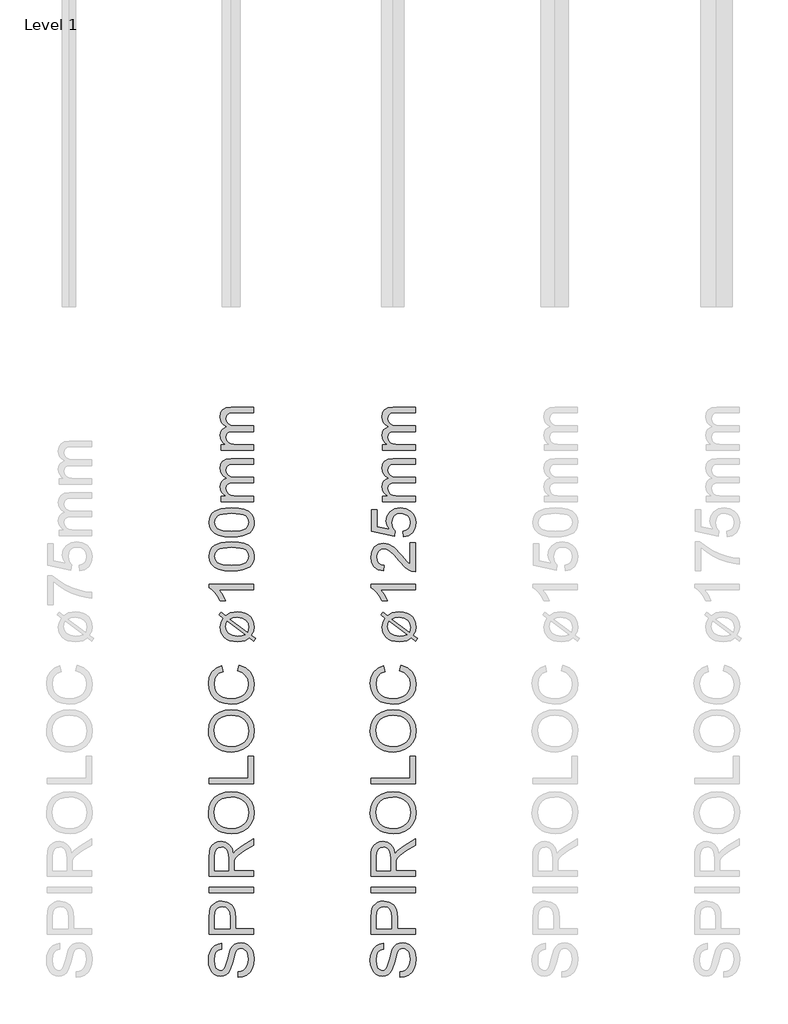
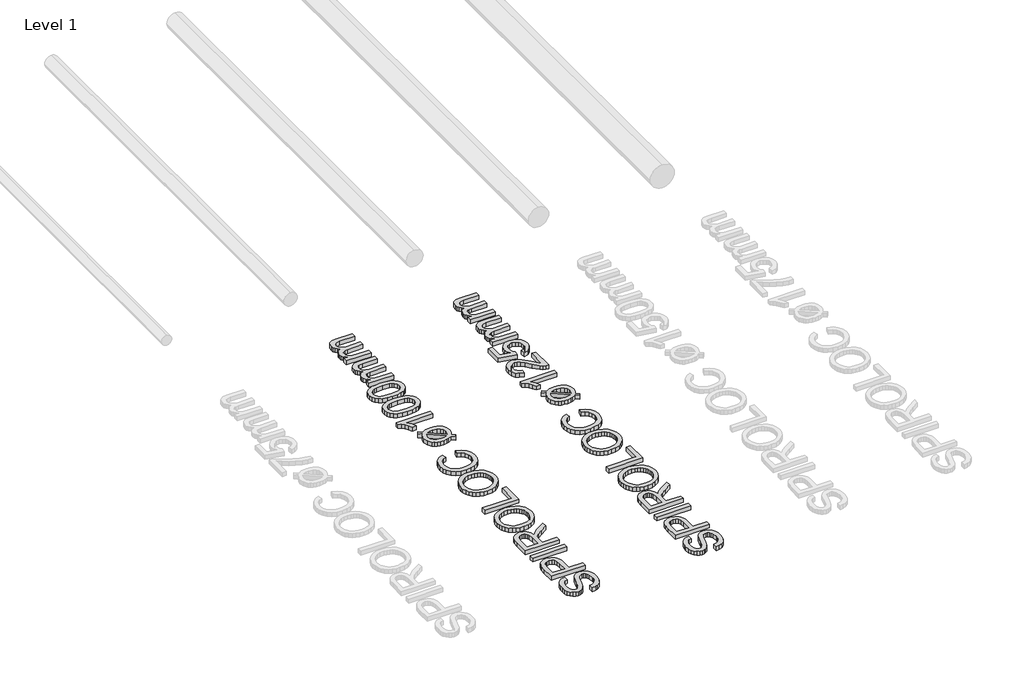
# One storey, part 4 of 19: 2 proxies.
"""IFC4 building model written with IfcOpenShell, lengths in millimetres."""

from ifc_helpers import new_model, si_unit, origin, origin_with_axes, place, context, project, spatial, polyline, outline, extrude, element, save

model = new_model("IFC4")

# Units and contexts
model_context = context("Model", 3, world=origin())
ifc_project = project(units=[si_unit("LENGTHUNIT", "METRE", prefix="MILLI")], contexts=[model_context])

# Site, building, storey
site = spatial("IfcSite", under=ifc_project)
building = spatial("IfcBuilding", under=site)
storey = spatial("IfcBuildingStorey", under=building, Name="Level 1", Elevation=0.0)

# Proxies
placement = place(None, origin())
element("IfcBuildingElementProxy", 1, Name="250mm", ObjectType="250mm", at=placement, inside=storey, context=model_context, shape_type="SweptSolid", body=[
    extrude(outline(polyline([(1523.8812614, -1501.7841772), (1523.8812614, -1471.0149464), (1540.9560811, -1467.4842974), (1554.6805403, -1461.099081), (1565.5729682, -1451.1381435), (1574.1516941, -1436.880331), (1579.7181004, -1419.4524464), (1581.5735691, -1399.9812926), (1575.9545787, -1367.8298502), (1569.2839057, -1355.6678911), (1560.5098672, -1347.0666291), (1550.4362494, -1341.950944), (1539.8668383, -1340.2457156), (1520.6661172, -1345.3538887), (1513.0714658, -1353.1363406), (1506.6937614, -1366.2673502), (1494.9449633, -1411.0690329), (1479.7706845, -1459.2961964), (1469.419122, -1474.6132036), (1456.8740499, -1485.4680714), (1442.4059008, -1491.93592), (1426.2851076, -1494.0918695), (1408.2637734, -1491.4251026), (1391.4593864, -1483.4248022), (1377.216598, -1470.3013046), (1366.8800595, -1452.2649464), (1360.5924994, -1430.615307), (1358.496646, -1406.6519656), (1360.6901557, -1380.6904272), (1367.2706845, -1357.974081), (1378.1030162, -1339.3142252), (1393.0519345, -1325.5221579), (1411.1859489, -1316.7931916), (1431.5735691, -1313.3226387), (1431.5735691, -1344.0918695), (1413.2141941, -1349.7409079), (1399.9629922, -1361.5197541), (1391.9401557, -1379.9242012), (1389.2658768, -1405.4500426), (1391.9101076, -1431.5768454), (1399.8427999, -1449.5005233), (1411.5164778, -1459.8671099), (1425.3836653, -1463.3226387), (1437.2075835, -1460.8737204), (1446.7177999, -1453.5269656), (1455.2214057, -1436.1591772), (1463.9052999, -1403.286581), (1479.3500114, -1348.8394656), (1490.512872, -1331.2989007), (1504.2899153, -1319.0618214), (1520.5309008, -1311.872819), (1539.0855883, -1309.4764849), (1558.0534369, -1312.2333959), (1575.8944826, -1320.5041291), (1591.2490499, -1333.9506435), (1602.7574633, -1352.2348983), (1609.9464658, -1374.2225786), (1612.3427999, -1398.7793695), (1609.7586653, -1428.9251026), (1602.0062614, -1453.7373022), (1589.0555403, -1473.5014248), (1570.8764537, -1488.5029272), (1548.731021, -1498.1333358), (1523.8812614, -1501.7841772)])), origin_with_axes(), (0.0, 0.0, 1.0), 30.0),
    extrude(outline(polyline([(1608.496646, -1263.3226387), (1362.3427999, -1263.3226387), (1362.3427999, -1172.0966772), (1364.6865499, -1135.317831), (1369.0660571, -1118.919093), (1376.1949633, -1105.4199945), (1386.3962855, -1094.5501026), (1399.9930403, -1086.0389849), (1416.0312013, -1080.5401868), (1433.5567422, -1078.7072541), (1462.5681605, -1083.6576748), (1486.7418383, -1098.5089368), (1496.2595667, -1110.4023412), (1503.0579441, -1126.2808719), (1507.1369706, -1146.1445287), (1508.496646, -1169.9933118), (1508.496646, -1232.5534079), (1608.496646, -1232.5534079), (1608.496646, -1263.3226387)]), holes=[polyline([(1477.7274153, -1232.5534079), (1477.7274153, -1168.1904272), (1474.902896, -1140.9067733), (1466.4293383, -1122.8779272), (1452.8325835, -1112.8268454), (1434.638473, -1109.4764849), (1420.8163576, -1111.4521459), (1409.1577037, -1117.3791291), (1400.3836653, -1126.5212565), (1395.215396, -1138.1423502), (1393.1120307, -1168.911581), (1393.1120307, -1232.5534079), (1477.7274153, -1232.5534079)])]), origin_with_axes(), (0.0, 0.0, 1.0), 30.0),
    extrude(outline(polyline([(1608.496646, -1032.5534079), (1362.3427999, -1032.5534079), (1362.3427999, -1001.7841772), (1608.496646, -1001.7841772), (1608.496646, -1032.5534079)])), origin_with_axes(), (0.0, 0.0, 1.0), 30.0),
    extrude(outline(polyline([(1608.496646, -940.2457156), (1362.3427999, -940.2457156), (1362.3427999, -834.1760041), (1364.0029561, -805.6678911), (1368.9834249, -784.927206), (1378.1781364, -769.7679512), (1392.481021, -758.0041291), (1410.2168984, -750.4545498), (1429.7105883, -747.9380233), (1453.9593864, -752.107194), (1474.0615499, -764.614706), (1488.8001316, -785.8361603), (1496.9581845, -816.1471579), (1510.1192422, -798.6591772), (1541.7899153, -773.7192733), (1608.496646, -732.6736002), (1608.496646, -768.4308118), (1557.4750114, -800.4620618), (1523.700973, -823.599081), (1507.7454441, -839.8550906), (1501.8860691, -854.4885041), (1500.8043383, -872.3370618), (1500.8043383, -909.4764849), (1608.496646, -909.4764849), (1608.496646, -940.2457156)]), holes=[polyline([(1470.0351076, -909.4764849), (1470.0351076, -840.6062926), (1465.6781364, -805.4800906), (1460.0140739, -793.9266051), (1451.7358287, -785.5281676), (1441.7223071, -780.4124825), (1430.8524153, -778.7072541), (1415.8434008, -781.9599584), (1403.7490499, -791.7180714), (1395.7712855, -808.5074344), (1393.1120307, -832.8538887), (1393.1120307, -909.4764849), (1470.0351076, -909.4764849)])]), origin_with_axes(), (0.0, 0.0, 1.0), 30.0),
    extrude(outline(polyline([(1488.6649153, -705.630331), (1459.7924694, -703.5795498), (1434.2328239, -697.427206), (1411.985979, -687.1732998), (1393.0519345, -672.817831), (1377.9339958, -655.220926), (1367.1354682, -635.2427108), (1360.6563516, -612.8831856), (1358.496646, -588.1423502), (1362.5531364, -555.8556916), (1374.7226076, -526.9043695), (1394.1486893, -502.8659079), (1419.9750114, -485.317831), (1450.9545787, -474.5906676), (1485.840396, -471.0149464), (1521.1919585, -474.778468), (1552.607223, -486.0690329), (1578.4786172, -504.2631435), (1597.1985691, -528.7373022), (1608.5567422, -557.4407276), (1612.3427999, -588.3226387), (1608.1586052, -621.1050906), (1595.606021, -650.2216772), (1575.8193624, -674.2000426), (1549.9329441, -691.567831), (1520.1477879, -702.114706), (1488.6649153, -705.630331)]), holes=[polyline([(1488.965396, -674.8611002), (1509.3642843, -673.3230143), (1527.4720066, -668.7087565), (1543.2885631, -661.0183268), (1556.8139537, -650.2517252), (1567.6462855, -637.1639097), (1575.3836653, -622.5098382), (1580.0260932, -606.2895107), (1581.5735691, -588.5029272), (1580.0110691, -570.4121069), (1575.3235691, -554.0002228), (1567.5110691, -539.2672751), (1556.5735691, -526.2132637), (1542.7627218, -515.5255383), (1526.3301797, -507.8914488), (1507.2759429, -503.3109951), (1485.6000114, -501.7841772), (1458.3614297, -504.3983599), (1434.8187614, -512.2409079), (1415.5654561, -525.1089969), (1401.1949633, -542.7998022), (1392.2481484, -564.1414488), (1389.2658768, -587.9620618), (1395.0125715, -621.0600185), (1412.2526557, -649.2000426), (1425.667244, -660.4267553), (1442.9242302, -668.4458358), (1464.0236142, -673.2572841), (1488.965396, -674.8611002)])]), origin_with_axes(), (0.0, 0.0, 1.0), 30.0),
    extrude(outline(polyline([(1608.496646, -428.7072541), (1362.3427999, -428.7072541), (1362.3427999, -397.9380233), (1577.7274153, -397.9380233), (1577.7274153, -274.8611002), (1608.496646, -274.8611002), (1608.496646, -428.7072541)])), origin_with_axes(), (0.0, 0.0, 1.0), 30.0),
    extrude(outline(polyline([(1488.6649153, -251.7841772), (1459.7924694, -249.7333959), (1434.2328239, -243.5810522), (1411.985979, -233.3271459), (1393.0519345, -218.9716772), (1377.9339958, -201.3747721), (1367.1354682, -181.396557), (1360.6563516, -159.0370317), (1358.496646, -134.2961964), (1362.5531364, -102.0095377), (1374.7226076, -73.0582156), (1394.1486893, -49.0197541), (1419.9750114, -31.4716772), (1450.9545787, -20.7445137), (1485.840396, -17.1687926), (1521.1919585, -20.9323142), (1552.607223, -32.2228791), (1578.4786172, -50.4169897), (1597.1985691, -74.8911483), (1608.5567422, -103.5945738), (1612.3427999, -134.4764849), (1608.1586052, -167.2589368), (1595.606021, -196.3755233), (1575.8193624, -220.3538887), (1549.9329441, -237.7216772), (1520.1477879, -248.2685522), (1488.6649153, -251.7841772)]), holes=[polyline([(1488.965396, -221.0149464), (1509.3642843, -219.4768605), (1527.4720066, -214.8626026), (1543.2885631, -207.172173), (1556.8139537, -196.4055714), (1567.6462855, -183.3177559), (1575.3836653, -168.6636844), (1580.0260932, -152.4433569), (1581.5735691, -134.6567733), (1580.0110691, -116.565953), (1575.3235691, -100.154069), (1567.5110691, -85.4211213), (1556.5735691, -72.3671099), (1542.7627218, -61.6793845), (1526.3301797, -54.045295), (1507.2759429, -49.4648412), (1485.6000114, -47.9380233), (1458.3614297, -50.552206), (1434.8187614, -58.3947541), (1415.5654561, -71.262843), (1401.1949633, -88.9536483), (1392.2481484, -110.295295), (1389.2658768, -134.1159079), (1395.0125715, -167.2138647), (1412.2526557, -195.3538887), (1425.667244, -206.5806014), (1442.9242302, -214.599682), (1464.0236142, -219.4111303), (1488.965396, -221.0149464)])]), origin_with_axes(), (0.0, 0.0, 1.0), 30.0),
    extrude(outline(polyline([(1520.996646, 198.2158228), (1528.9293383, 228.9850536), (1564.7842061, 214.7873373), (1590.9786172, 192.5066882), (1607.0017542, 163.2398613), (1612.3427999, 128.0836113), (1608.3013335, 92.3940079), (1596.1769345, 64.0511594), (1576.3902758, 42.3263998), (1549.3620307, 26.4910632), (1517.5861893, 16.8230945), (1483.5567422, 13.6004382), (1447.6643143, 17.2437675), (1416.669723, 28.1737555), (1391.5570427, 45.8194887), (1373.310348, 69.6100536), (1362.2000715, 97.8251978), (1358.496646, 128.744669), (1363.2893143, 162.4811474), (1377.6673191, 190.3732748), (1400.7442422, 211.549657), (1431.6336653, 225.1388998), (1438.965396, 194.369669), (1416.5269946, 183.7026017), (1401.1348672, 169.1292844), (1392.2331244, 150.4694286), (1389.2658768, 127.5427459), (1392.5561412, 101.1154623), (1402.4269345, 79.4057267), (1417.841598, 62.9318685), (1437.763473, 52.2122171), (1460.2845066, 46.330306), (1483.496646, 44.369669), (1511.9221268, 46.6908829), (1536.5014537, 53.6545248), (1556.2956244, 65.5235151), (1570.3656364, 82.5607748), (1578.7715859, 102.985955), (1581.5735691, 125.0187074), (1577.7574633, 150.7023012), (1566.309146, 172.104044), (1547.3488095, 188.2623974), (1520.996646, 198.2158228)])), origin_with_axes(), (0.0, 0.0, 1.0), 30.0),
    extrude(outline(polyline([(1441.4293383, 490.2831305), (1417.1504922, 508.6725536), (1428.3283768, 523.3360151), (1453.7490499, 504.0451498), (1480.0110691, 519.5499574), (1519.1937614, 525.1388998), (1542.7364297, 523.3923553), (1562.9437614, 518.1527219), (1579.8157566, 509.4199995), (1593.3524153, 497.1941882), (1607.5952037, 472.2092123), (1612.3427999, 442.5667844), (1608.3013335, 417.822193), (1596.1769345, 396.1124574), (1620.0351076, 378.0235151), (1609.0976076, 363.119669), (1586.3211653, 380.4273613), (1563.1240499, 366.4249574), (1543.3223672, 361.4219526), (1521.0567422, 359.7542844), (1497.170399, 361.2717123), (1476.833485, 365.8239959), (1460.046, 373.4111353), (1446.8079441, 384.0331305), (1429.6129321, 410.4303661), (1423.8812614, 441.0643805), (1428.1180403, 466.0042844), (1441.4293383, 490.2831305)]), holes=[polyline([(1463.3043383, 473.6965921), (1456.8139537, 458.3119767), (1454.6504922, 442.2062074), (1458.8046388, 421.9988757), (1471.2670787, 405.3672651), (1491.9476677, 394.2344526), (1520.7562614, 390.5235151), (1543.1721268, 392.6719526), (1561.621646, 399.1172651), (1463.3043383, 473.6965921)]), polyline([(1478.6889537, 485.1749574), (1576.465396, 411.0163036), (1581.5735691, 440.5836113), (1577.5095667, 461.9177459), (1565.3175595, 479.1653421), (1545.0125715, 490.5685873), (1516.6096268, 494.369669), (1495.3956845, 492.025919), (1478.6889537, 485.1749574)])]), origin_with_axes(), (0.0, 0.0, 1.0), 30.0),
    extrude(outline(polyline([(1608.496646, 678.9850536), (1608.496646, 648.2158228), (1416.669723, 648.2158228), (1437.4329441, 619.0691882), (1452.9677999, 586.6773613), (1423.8812614, 586.6773613), (1410.7352278, 610.8435272), (1395.0952037, 631.7795248), (1378.4635932, 648.283431), (1362.3427999, 659.1533228), (1362.3427999, 678.9850536), (1608.496646, 678.9850536)])), origin_with_axes(), (0.0, 0.0, 1.0), 30.0),
    extrude(outline(polyline([(1487.402896, 752.0619767), (1448.0023552, 754.3230945), (1416.5795787, 761.1064478), (1392.6537975, 772.3444286), (1375.7442422, 787.9694286), (1365.6931605, 808.0941281), (1362.3427999, 832.8312074), (1364.325973, 851.791544), (1370.2754922, 868.7687074), (1379.958485, 882.9664238), (1393.1420787, 893.588419), (1429.560348, 908.0114959), (1454.7631725, 912.2032026), (1487.402896, 913.6004382), (1526.5780763, 911.3618565), (1557.9257326, 904.6461113), (1581.8740499, 893.4757387), (1598.8512133, 877.8732748), (1608.9699033, 857.7035031), (1612.3427999, 832.8312074), (1610.8779561, 815.8840921), (1606.4834249, 800.8600536), (1599.1592061, 787.7590921), (1588.9052999, 776.5812074), (1570.3693924, 765.854044), (1547.2736893, 758.1917844), (1519.6181905, 753.5944286), (1487.402896, 752.0619767)]), holes=[polyline([(1487.3427999, 782.8312074), (1535.7427398, 786.4369767), (1552.2973522, 790.9441882), (1563.7550595, 797.2542844), (1577.1189417, 813.3600536), (1581.5735691, 832.8312074), (1577.1039177, 852.3023613), (1563.6949633, 868.4081305), (1552.218476, 874.7182267), (1535.6676196, 879.2254382), (1487.3427999, 882.8312074), (1440.0321028, 879.3456305), (1423.5319525, 874.9886594), (1411.8019345, 868.8888998), (1397.7845066, 852.8131786), (1393.1120307, 832.4706305), (1397.2286172, 813.2098132), (1409.5783768, 797.7350536), (1422.3488095, 791.2146209), (1439.5663576, 786.557169), (1487.3427999, 782.8312074)])]), origin_with_axes(), (0.0, 0.0, 1.0), 30.0),
    extrude(outline(polyline([(1487.402896, 940.5235151), (1448.0023552, 942.7846329), (1416.5795787, 949.5679863), (1392.6537975, 960.8059671), (1375.7442422, 976.4309671), (1365.6931605, 996.5556666), (1362.3427999, 1021.2927459), (1364.325973, 1040.2530824), (1370.2754922, 1057.2302459), (1379.958485, 1071.4279623), (1393.1420787, 1082.0499574), (1429.560348, 1096.4730344), (1454.7631725, 1100.6647411), (1487.402896, 1102.0619767), (1526.5780763, 1099.8233949), (1557.9257326, 1093.1076498), (1581.8740499, 1081.9372772), (1598.8512133, 1066.3348132), (1608.9699033, 1046.1650416), (1612.3427999, 1021.2927459), (1610.8779561, 1004.3456305), (1606.4834249, 989.3215921), (1599.1592061, 976.2206305), (1588.9052999, 965.0427459), (1570.3693924, 954.3155824), (1547.2736893, 946.6533228), (1519.6181905, 942.0559671), (1487.402896, 940.5235151)]), holes=[polyline([(1487.3427999, 971.2927459), (1535.7427398, 974.8985151), (1552.2973522, 979.4057267), (1563.7550595, 985.7158228), (1577.1189417, 1001.8215921), (1581.5735691, 1021.2927459), (1577.1039177, 1040.7638998), (1563.6949633, 1056.869669), (1552.218476, 1063.1797651), (1535.6676196, 1067.6869767), (1487.3427999, 1071.2927459), (1440.0321028, 1067.807169), (1423.5319525, 1063.4501978), (1411.8019345, 1057.3504382), (1397.7845066, 1041.2747171), (1393.1120307, 1020.932169), (1397.2286172, 1001.6713517), (1409.5783768, 986.1965921), (1422.3488095, 979.6761594), (1439.5663576, 975.0187074), (1487.3427999, 971.2927459)])]), origin_with_axes(), (0.0, 0.0, 1.0), 30.0),
    extrude(outline(polyline([(1608.496646, 1136.6773613), (1427.7274153, 1136.6773613), (1427.7274153, 1167.4465921), (1457.4750114, 1167.4465921), (1443.8106484, 1176.7013998), (1433.106021, 1188.6004382), (1426.1874513, 1202.7380584), (1423.8812614, 1218.7086113), (1426.2325234, 1235.8209911), (1433.2863095, 1249.5379382), (1444.5768744, 1259.7843324), (1459.638473, 1266.4850536), (1443.9946929, 1277.7004983), (1432.8205643, 1290.4934671), (1426.1160871, 1304.8639599), (1423.8812614, 1320.8119767), (1427.5997109, 1343.9414839), (1438.7550595, 1361.0463517), (1457.6477879, 1371.6157627), (1484.5783768, 1375.1388998), (1608.496646, 1375.1388998), (1608.496646, 1344.369669), (1497.7995307, 1344.369669), (1472.1084249, 1341.5151017), (1459.4581845, 1331.1785632), (1454.6504922, 1313.6004382), (1457.7304201, 1296.9312675), (1466.9702037, 1283.3420248), (1483.0008528, 1274.3050656), (1506.4533768, 1271.2927459), (1608.496646, 1271.2927459), (1608.496646, 1240.5235151), (1494.3740499, 1240.5235151), (1476.9762133, 1238.7431666), (1464.5663576, 1233.4021209), (1457.1294585, 1224.0045849), (1454.6504922, 1210.0547651), (1456.3031364, 1198.2007988), (1461.2610691, 1187.2783228), (1469.404098, 1178.2638998), (1480.6120307, 1172.1340921), (1517.3307807, 1167.4465921), (1608.496646, 1167.4465921), (1608.496646, 1136.6773613)])), origin_with_axes(), (0.0, 0.0, 1.0), 30.0),
    extrude(outline(polyline([(1608.496646, 1421.2927459), (1427.7274153, 1421.2927459), (1427.7274153, 1452.0619767), (1457.4750114, 1452.0619767), (1443.8106484, 1461.3167844), (1433.106021, 1473.2158228), (1426.1874513, 1487.353443), (1423.8812614, 1503.3239959), (1426.2325234, 1520.4363757), (1433.2863095, 1534.1533228), (1444.5768744, 1544.3997171), (1459.638473, 1551.1004382), (1443.9946929, 1562.3158829), (1432.8205643, 1575.1088517), (1426.1160871, 1589.4793445), (1423.8812614, 1605.4273613), (1427.5997109, 1628.5568685), (1438.7550595, 1645.6617363), (1457.6477879, 1656.2311474), (1484.5783768, 1659.7542844), (1608.496646, 1659.7542844), (1608.496646, 1628.9850536), (1497.7995307, 1628.9850536), (1472.1084249, 1626.1304863), (1459.4581845, 1615.7939478), (1454.6504922, 1598.2158228), (1457.7304201, 1581.5466522), (1466.9702037, 1567.9574094), (1483.0008528, 1558.9204502), (1506.4533768, 1555.9081305), (1608.496646, 1555.9081305), (1608.496646, 1525.1388998), (1494.3740499, 1525.1388998), (1476.9762133, 1523.3585512), (1464.5663576, 1518.0175055), (1457.1294585, 1508.6199695), (1454.6504922, 1494.6701498), (1456.3031364, 1482.8161834), (1461.2610691, 1471.8937074), (1469.404098, 1462.8792844), (1480.6120307, 1456.7494767), (1517.3307807, 1452.0619767), (1608.496646, 1452.0619767), (1608.496646, 1421.2927459)])), origin_with_axes(), (0.0, 0.0, 1.0), 30.0),
])
element("IfcBuildingElementProxy", 2, Name="250mm", ObjectType="250mm", at=placement, inside=storey, context=model_context, shape_type="SweptSolid", body=[
    extrude(outline(polyline([(2421.9581845, -1501.7841772), (2421.9581845, -1471.0149464), (2439.0330042, -1467.4842974), (2452.7574633, -1461.099081), (2463.6498912, -1451.1381435), (2472.2286172, -1436.880331), (2477.7950234, -1419.4524464), (2479.6504922, -1399.9812926), (2474.0315018, -1367.8298502), (2467.3608287, -1355.6678911), (2458.5867903, -1347.0666291), (2448.5131725, -1341.950944), (2437.9437614, -1340.2457156), (2418.7430403, -1345.3538887), (2411.1483888, -1353.1363406), (2404.7706845, -1366.2673502), (2393.0218864, -1411.0690329), (2377.8476076, -1459.2961964), (2367.4960451, -1474.6132036), (2354.950973, -1485.4680714), (2340.4828239, -1491.93592), (2324.3620307, -1494.0918695), (2306.3406965, -1491.4251026), (2289.5363095, -1483.4248022), (2275.293521, -1470.3013046), (2264.9569826, -1452.2649464), (2258.6694225, -1430.615307), (2256.5735691, -1406.6519656), (2258.7670787, -1380.6904272), (2265.3476076, -1357.974081), (2276.1799393, -1339.3142252), (2291.1288576, -1325.5221579), (2309.262872, -1316.7931916), (2329.6504922, -1313.3226387), (2329.6504922, -1344.0918695), (2311.2911172, -1349.7409079), (2298.0399153, -1361.5197541), (2290.0170787, -1379.9242012), (2287.3427999, -1405.4500426), (2289.9870307, -1431.5768454), (2297.919723, -1449.5005233), (2309.5934008, -1459.8671099), (2323.4605883, -1463.3226387), (2335.2845066, -1460.8737204), (2344.794723, -1453.5269656), (2353.2983287, -1436.1591772), (2361.982223, -1403.286581), (2377.4269345, -1348.8394656), (2388.5897951, -1331.2989007), (2402.3668383, -1319.0618214), (2418.6078239, -1311.872819), (2437.1625114, -1309.4764849), (2456.13036, -1312.2333959), (2473.9714057, -1320.5041291), (2489.325973, -1333.9506435), (2500.8343864, -1352.2348983), (2508.0233888, -1374.2225786), (2510.419723, -1398.7793695), (2507.8355883, -1428.9251026), (2500.0831845, -1453.7373022), (2487.1324633, -1473.5014248), (2468.9533768, -1488.5029272), (2446.8079441, -1498.1333358), (2421.9581845, -1501.7841772)])), origin_with_axes(), (0.0, 0.0, 1.0), 30.0),
    extrude(outline(polyline([(2506.5735691, -1263.3226387), (2260.419723, -1263.3226387), (2260.419723, -1172.0966772), (2262.763473, -1135.317831), (2267.1429802, -1118.919093), (2274.2718864, -1105.4199945), (2284.4732085, -1094.5501026), (2298.0699633, -1086.0389849), (2314.1081244, -1080.5401868), (2331.6336653, -1078.7072541), (2360.6450835, -1083.6576748), (2384.8187614, -1098.5089368), (2394.3364898, -1110.4023412), (2401.1348672, -1126.2808719), (2405.2138936, -1146.1445287), (2406.5735691, -1169.9933118), (2406.5735691, -1232.5534079), (2506.5735691, -1232.5534079), (2506.5735691, -1263.3226387)]), holes=[polyline([(2375.8043383, -1232.5534079), (2375.8043383, -1168.1904272), (2372.9798191, -1140.9067733), (2364.5062614, -1122.8779272), (2350.9095066, -1112.8268454), (2332.715396, -1109.4764849), (2318.8932807, -1111.4521459), (2307.2346268, -1117.3791291), (2298.4605883, -1126.5212565), (2293.2923191, -1138.1423502), (2291.1889537, -1168.911581), (2291.1889537, -1232.5534079), (2375.8043383, -1232.5534079)])]), origin_with_axes(), (0.0, 0.0, 1.0), 30.0),
    extrude(outline(polyline([(2506.5735691, -1032.5534079), (2260.419723, -1032.5534079), (2260.419723, -1001.7841772), (2506.5735691, -1001.7841772), (2506.5735691, -1032.5534079)])), origin_with_axes(), (0.0, 0.0, 1.0), 30.0),
    extrude(outline(polyline([(2506.5735691, -940.2457156), (2260.419723, -940.2457156), (2260.419723, -834.1760041), (2262.0798792, -805.6678911), (2267.060348, -784.927206), (2276.2550595, -769.7679512), (2290.5579441, -758.0041291), (2308.2938215, -750.4545498), (2327.7875114, -747.9380233), (2352.0363095, -752.107194), (2372.138473, -764.614706), (2386.8770547, -785.8361603), (2395.0351076, -816.1471579), (2408.1961653, -798.6591772), (2439.8668383, -773.7192733), (2506.5735691, -732.6736002), (2506.5735691, -768.4308118), (2455.5519345, -800.4620618), (2421.777896, -823.599081), (2405.8223672, -839.8550906), (2399.9629922, -854.4885041), (2398.8812614, -872.3370618), (2398.8812614, -909.4764849), (2506.5735691, -909.4764849), (2506.5735691, -940.2457156)]), holes=[polyline([(2368.1120307, -909.4764849), (2368.1120307, -840.6062926), (2363.7550595, -805.4800906), (2358.090997, -793.9266051), (2349.8127518, -785.5281676), (2339.7992302, -780.4124825), (2328.9293383, -778.7072541), (2313.9203239, -781.9599584), (2301.825973, -791.7180714), (2293.8482085, -808.5074344), (2291.1889537, -832.8538887), (2291.1889537, -909.4764849), (2368.1120307, -909.4764849)])]), origin_with_axes(), (0.0, 0.0, 1.0), 30.0),
    extrude(outline(polyline([(2386.7418383, -705.630331), (2357.8693924, -703.5795498), (2332.309747, -697.427206), (2310.062902, -687.1732998), (2291.1288576, -672.817831), (2276.0109189, -655.220926), (2265.2123912, -635.2427108), (2258.7332746, -612.8831856), (2256.5735691, -588.1423502), (2260.6300595, -555.8556916), (2272.7995307, -526.9043695), (2292.2256124, -502.8659079), (2318.0519345, -485.317831), (2349.0315018, -474.5906676), (2383.9173191, -471.0149464), (2419.2688816, -474.778468), (2450.684146, -486.0690329), (2476.5555403, -504.2631435), (2495.2754922, -528.7373022), (2506.6336653, -557.4407276), (2510.419723, -588.3226387), (2506.2355283, -621.1050906), (2493.6829441, -650.2216772), (2473.8962855, -674.2000426), (2448.0098672, -691.567831), (2418.2247109, -702.114706), (2386.7418383, -705.630331)]), holes=[polyline([(2387.0423191, -674.8611002), (2407.4412073, -673.3230143), (2425.5489297, -668.7087565), (2441.3654862, -661.0183268), (2454.8908768, -650.2517252), (2465.7232085, -637.1639097), (2473.4605883, -622.5098382), (2478.1030162, -606.2895107), (2479.6504922, -588.5029272), (2478.0879922, -570.4121069), (2473.4004922, -554.0002228), (2465.5879922, -539.2672751), (2454.6504922, -526.2132637), (2440.8396448, -515.5255383), (2424.4071028, -507.8914488), (2405.352866, -503.3109951), (2383.6769345, -501.7841772), (2356.4383528, -504.3983599), (2332.8956845, -512.2409079), (2313.6423792, -525.1089969), (2299.2718864, -542.7998022), (2290.3250715, -564.1414488), (2287.3427999, -587.9620618), (2293.0894946, -621.0600185), (2310.3295787, -649.2000426), (2323.7441671, -660.4267553), (2341.0011533, -668.4458358), (2362.1005373, -673.2572841), (2387.0423191, -674.8611002)])]), origin_with_axes(), (0.0, 0.0, 1.0), 30.0),
    extrude(outline(polyline([(2506.5735691, -428.7072541), (2260.419723, -428.7072541), (2260.419723, -397.9380233), (2475.8043383, -397.9380233), (2475.8043383, -274.8611002), (2506.5735691, -274.8611002), (2506.5735691, -428.7072541)])), origin_with_axes(), (0.0, 0.0, 1.0), 30.0),
    extrude(outline(polyline([(2386.7418383, -251.7841772), (2357.8693924, -249.7333959), (2332.309747, -243.5810522), (2310.062902, -233.3271459), (2291.1288576, -218.9716772), (2276.0109189, -201.3747721), (2265.2123912, -181.396557), (2258.7332746, -159.0370317), (2256.5735691, -134.2961964), (2260.6300595, -102.0095377), (2272.7995307, -73.0582156), (2292.2256124, -49.0197541), (2318.0519345, -31.4716772), (2349.0315018, -20.7445137), (2383.9173191, -17.1687926), (2419.2688816, -20.9323142), (2450.684146, -32.2228791), (2476.5555403, -50.4169897), (2495.2754922, -74.8911483), (2506.6336653, -103.5945738), (2510.419723, -134.4764849), (2506.2355283, -167.2589368), (2493.6829441, -196.3755233), (2473.8962855, -220.3538887), (2448.0098672, -237.7216772), (2418.2247109, -248.2685522), (2386.7418383, -251.7841772)]), holes=[polyline([(2387.0423191, -221.0149464), (2407.4412073, -219.4768605), (2425.5489297, -214.8626026), (2441.3654862, -207.172173), (2454.8908768, -196.4055714), (2465.7232085, -183.3177559), (2473.4605883, -168.6636844), (2478.1030162, -152.4433569), (2479.6504922, -134.6567733), (2478.0879922, -116.565953), (2473.4004922, -100.154069), (2465.5879922, -85.4211213), (2454.6504922, -72.3671099), (2440.8396448, -61.6793845), (2424.4071028, -54.045295), (2405.352866, -49.4648412), (2383.6769345, -47.9380233), (2356.4383528, -50.552206), (2332.8956845, -58.3947541), (2313.6423792, -71.262843), (2299.2718864, -88.9536483), (2290.3250715, -110.295295), (2287.3427999, -134.1159079), (2293.0894946, -167.2138647), (2310.3295787, -195.3538887), (2323.7441671, -206.5806014), (2341.0011533, -214.599682), (2362.1005373, -219.4111303), (2387.0423191, -221.0149464)])]), origin_with_axes(), (0.0, 0.0, 1.0), 30.0),
    extrude(outline(polyline([(2419.0735691, 198.2158228), (2427.0062614, 228.9850536), (2462.8611292, 214.7873373), (2489.0555403, 192.5066882), (2505.0786773, 163.2398613), (2510.419723, 128.0836113), (2506.3782566, 92.3940079), (2494.2538576, 64.0511594), (2474.4671989, 42.3263998), (2447.4389537, 26.4910632), (2415.6631124, 16.8230945), (2381.6336653, 13.6004382), (2345.7412374, 17.2437675), (2314.746646, 28.1737555), (2289.6339658, 45.8194887), (2271.387271, 69.6100536), (2260.2769946, 97.8251978), (2256.5735691, 128.744669), (2261.3662374, 162.4811474), (2275.7442422, 190.3732748), (2298.8211653, 211.549657), (2329.7105883, 225.1388998), (2337.0423191, 194.369669), (2314.6039177, 183.7026017), (2299.2117903, 169.1292844), (2290.3100475, 150.4694286), (2287.3427999, 127.5427459), (2290.6330643, 101.1154623), (2300.5038576, 79.4057267), (2315.918521, 62.9318685), (2335.840396, 52.2122171), (2358.3614297, 46.330306), (2381.5735691, 44.369669), (2409.9990499, 46.6908829), (2434.5783768, 53.6545248), (2454.3725475, 65.5235151), (2468.4425595, 82.5607748), (2476.848509, 102.985955), (2479.6504922, 125.0187074), (2475.8343864, 150.7023012), (2464.3860691, 172.104044), (2445.4257326, 188.2623974), (2419.0735691, 198.2158228)])), origin_with_axes(), (0.0, 0.0, 1.0), 30.0),
    extrude(outline(polyline([(2339.5062614, 490.2831305), (2315.2274153, 508.6725536), (2326.4052999, 523.3360151), (2351.825973, 504.0451498), (2378.0879922, 519.5499574), (2417.2706845, 525.1388998), (2440.8133528, 523.3923553), (2461.0206845, 518.1527219), (2477.8926797, 509.4199995), (2491.4293383, 497.1941882), (2505.6721268, 472.2092123), (2510.419723, 442.5667844), (2506.3782566, 417.822193), (2494.2538576, 396.1124574), (2518.1120307, 378.0235151), (2507.1745307, 363.119669), (2484.3980883, 380.4273613), (2461.200973, 366.4249574), (2441.3992903, 361.4219526), (2419.1336653, 359.7542844), (2395.2473221, 361.2717123), (2374.9104081, 365.8239959), (2358.1229231, 373.4111353), (2344.8848672, 384.0331305), (2327.6898552, 410.4303661), (2321.9581845, 441.0643805), (2326.1949633, 466.0042844), (2339.5062614, 490.2831305)]), holes=[polyline([(2361.3812614, 473.6965921), (2354.8908768, 458.3119767), (2352.7274153, 442.2062074), (2356.8815619, 421.9988757), (2369.3440018, 405.3672651), (2390.0245908, 394.2344526), (2418.8331845, 390.5235151), (2441.2490499, 392.6719526), (2459.6985691, 399.1172651), (2361.3812614, 473.6965921)]), polyline([(2376.7658768, 485.1749574), (2474.5423191, 411.0163036), (2479.6504922, 440.5836113), (2475.5864898, 461.9177459), (2463.3944826, 479.1653421), (2443.0894946, 490.5685873), (2414.6865499, 494.369669), (2393.4726076, 492.025919), (2376.7658768, 485.1749574)])]), origin_with_axes(), (0.0, 0.0, 1.0), 30.0),
    extrude(outline(polyline([(2506.5735691, 678.9850536), (2506.5735691, 648.2158228), (2314.746646, 648.2158228), (2335.5098672, 619.0691882), (2351.044723, 586.6773613), (2321.9581845, 586.6773613), (2308.8121508, 610.8435272), (2293.1721268, 631.7795248), (2276.5405162, 648.283431), (2260.419723, 659.1533228), (2260.419723, 678.9850536), (2506.5735691, 678.9850536)])), origin_with_axes(), (0.0, 0.0, 1.0), 30.0),
    extrude(outline(polyline([(2475.8043383, 909.7542844), (2506.5735691, 909.7542844), (2506.5735691, 748.2158228), (2485.3596268, 751.5211113), (2468.7806004, 759.1082507), (2452.6973672, 770.2110151), (2417.0302999, 808.7326498), (2387.5381124, 841.9357748), (2365.7682807, 861.8576498), (2348.1000114, 871.8185873), (2330.9125114, 875.1388998), (2315.50536, 872.0063877), (2302.6973672, 862.6088517), (2294.0660571, 848.1632387), (2291.1889537, 829.8864959), (2293.9984489, 810.6932868), (2302.4269345, 795.7819286), (2315.8133528, 786.159032), (2333.496646, 782.8312074), (2329.6504922, 752.0619767), (2299.887872, 759.5214118), (2278.1480883, 775.6497171), (2264.8518143, 799.6055464), (2260.419723, 830.5475536), (2265.3476076, 861.7149214), (2280.1312614, 885.6256786), (2302.216598, 900.8375175), (2329.0495307, 905.9081305), (2358.2262133, 900.4393805), (2388.3944826, 882.260294), (2430.5519345, 838.1797651), (2460.1492903, 802.7831305), (2475.8043383, 788.900919), (2475.8043383, 909.7542844)])), origin_with_axes(), (0.0, 0.0, 1.0), 30.0),
    extrude(outline(polyline([(2441.1889537, 940.5235151), (2437.3427999, 971.2927459), (2455.8148552, 976.9417844), (2469.043521, 986.7975536), (2476.9987494, 1000.8149815), (2479.6504922, 1018.9489959), (2475.9620908, 1041.0042844), (2464.8968864, 1057.5307267), (2447.7319225, 1067.8522411), (2425.7442422, 1071.2927459), (2405.0411172, 1068.0700897), (2389.2057807, 1058.4021209), (2379.1546989, 1042.2137195), (2375.8043383, 1019.4297651), (2381.152896, 992.416544), (2395.0351076, 975.1388998), (2391.1889537, 944.369669), (2264.2658768, 971.2927459), (2264.2658768, 1090.5235151), (2295.0351076, 1090.5235151), (2295.0351076, 996.1725536), (2362.8235691, 983.0114959), (2349.482223, 1004.9916642), (2345.0351076, 1028.0235151), (2350.5489297, 1056.7720127), (2367.090396, 1080.6376978), (2392.3007326, 1096.705907), (2423.8211653, 1102.0619767), (2454.590396, 1097.2392603), (2480.9125114, 1082.7711113), (2493.8219165, 1069.9856546), (2503.0429201, 1055.0667844), (2508.5755222, 1038.0145007), (2510.419723, 1018.8288036), (2505.6796388, 988.6079502), (2491.4593864, 964.5319286), (2469.41161, 948.0280224), (2441.1889537, 940.5235151)])), origin_with_axes(), (0.0, 0.0, 1.0), 30.0),
    extrude(outline(polyline([(2506.5735691, 1136.6773613), (2325.8043383, 1136.6773613), (2325.8043383, 1167.4465921), (2355.5519345, 1167.4465921), (2341.8875715, 1176.7013998), (2331.1829441, 1188.6004382), (2324.2643744, 1202.7380584), (2321.9581845, 1218.7086113), (2324.3094465, 1235.8209911), (2331.3632326, 1249.5379382), (2342.6537975, 1259.7843324), (2357.715396, 1266.4850536), (2342.071616, 1277.7004983), (2330.8974874, 1290.4934671), (2324.1930102, 1304.8639599), (2321.9581845, 1320.8119767), (2325.676634, 1343.9414839), (2336.8319826, 1361.0463517), (2355.7247109, 1371.6157627), (2382.6552999, 1375.1388998), (2506.5735691, 1375.1388998), (2506.5735691, 1344.369669), (2395.8764537, 1344.369669), (2370.185348, 1341.5151017), (2357.5351076, 1331.1785632), (2352.7274153, 1313.6004382), (2355.8073432, 1296.9312675), (2365.0471268, 1283.3420248), (2381.0777758, 1274.3050656), (2404.5302999, 1271.2927459), (2506.5735691, 1271.2927459), (2506.5735691, 1240.5235151), (2392.450973, 1240.5235151), (2375.0531364, 1238.7431666), (2362.6432807, 1233.4021209), (2355.2063816, 1224.0045849), (2352.7274153, 1210.0547651), (2354.3800595, 1198.2007988), (2359.3379922, 1187.2783228), (2367.481021, 1178.2638998), (2378.6889537, 1172.1340921), (2415.4077037, 1167.4465921), (2506.5735691, 1167.4465921), (2506.5735691, 1136.6773613)])), origin_with_axes(), (0.0, 0.0, 1.0), 30.0),
    extrude(outline(polyline([(2506.5735691, 1421.2927459), (2325.8043383, 1421.2927459), (2325.8043383, 1452.0619767), (2355.5519345, 1452.0619767), (2341.8875715, 1461.3167844), (2331.1829441, 1473.2158228), (2324.2643744, 1487.353443), (2321.9581845, 1503.3239959), (2324.3094465, 1520.4363757), (2331.3632326, 1534.1533228), (2342.6537975, 1544.3997171), (2357.715396, 1551.1004382), (2342.071616, 1562.3158829), (2330.8974874, 1575.1088517), (2324.1930102, 1589.4793445), (2321.9581845, 1605.4273613), (2325.676634, 1628.5568685), (2336.8319826, 1645.6617363), (2355.7247109, 1656.2311474), (2382.6552999, 1659.7542844), (2506.5735691, 1659.7542844), (2506.5735691, 1628.9850536), (2395.8764537, 1628.9850536), (2370.185348, 1626.1304863), (2357.5351076, 1615.7939478), (2352.7274153, 1598.2158228), (2355.8073432, 1581.5466522), (2365.0471268, 1567.9574094), (2381.0777758, 1558.9204502), (2404.5302999, 1555.9081305), (2506.5735691, 1555.9081305), (2506.5735691, 1525.1388998), (2392.450973, 1525.1388998), (2375.0531364, 1523.3585512), (2362.6432807, 1518.0175055), (2355.2063816, 1508.6199695), (2352.7274153, 1494.6701498), (2354.3800595, 1482.8161834), (2359.3379922, 1471.8937074), (2367.481021, 1462.8792844), (2378.6889537, 1456.7494767), (2415.4077037, 1452.0619767), (2506.5735691, 1452.0619767), (2506.5735691, 1421.2927459)])), origin_with_axes(), (0.0, 0.0, 1.0), 30.0),
])

save(model, "model.ifc")
